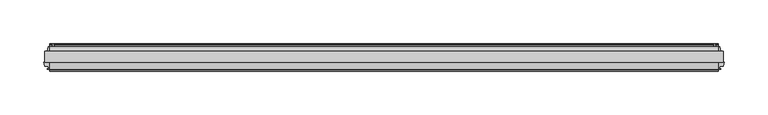
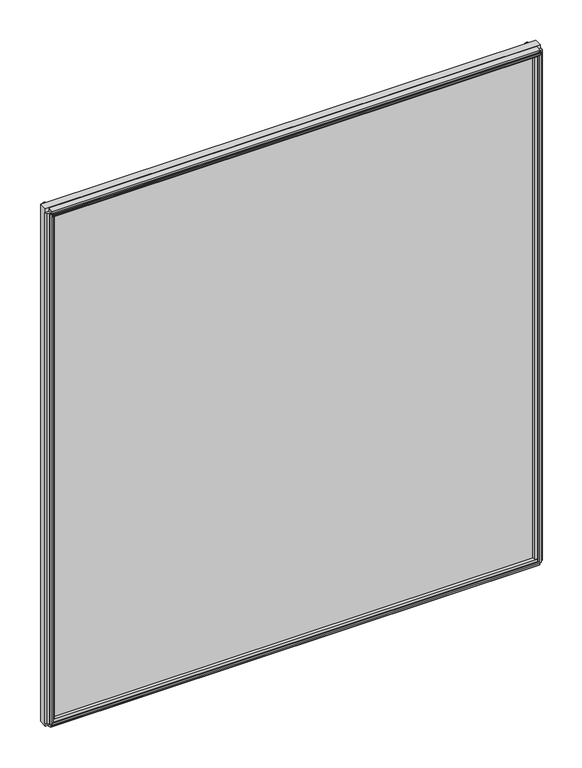
"""IFC4 building model written with IfcOpenShell, lengths in millimetres: plate geometry."""

from ifc_helpers import new_model, si_unit, point, frame, frame_2d, origin, origin_with_axes, place, context, project, spatial, polyline, circle_curve, trimmed, segment, composite_curve, outline, extrude, source, transform, mapped, element, save


def plate_968a113b(model_context):
    return source(origin(), model_context, "Body", "SweptSolid", [
        extrude(outline(polyline([(388.7930103, -0.0460375), (388.7930103, -12.8984375), (-388.7930103, -12.8984375), (-388.7930103, -0.0460375), (388.7930103, -0.0460375)])), origin_with_axes(), (0.0, 0.0, 1.0), 858.263776),
        extrude(outline(composite_curve([segment(polyline([(7.9801525, 11.112559), (5.5925525, 11.1124979)]), True, "CONTINUOUS"), segment(trimmed(circle_curve(frame_2d((5.5925727, 10.3250979)), 0.7874), [point((5.5925525, 11.1124979))], [point((4.8051727, 10.3250778))], True, "CARTESIAN"), True, "CONTINUOUS"), segment(polyline([(4.8051727, 10.3250778), (4.8051928, 9.5376778), (6.3799928, 9.5377181), (4.8053625, 3.7841758), (4.8053625, 2.9042818)]), True, "CONTINUOUS"), segment(trimmed(circle_curve(frame_2d((2.3796615, 2.9426237)), 2.426004), [point((4.8053625, 2.9042818))], [point((-0.0460375, 2.9041577))], False, "CARTESIAN"), True, "CONTINUOUS"), segment(polyline([(-0.0460375, 2.9041577), (-0.0460375, 16.9229653)]), True, "CONTINUOUS"), segment(trimmed(circle_curve(frame_2d((11.636134, 24.6114215)), 13.9851882), [point((-0.0460375, 16.9229653))], [point((7.9801525, 11.112559))], True, "CARTESIAN"), True, "CONTINUOUS")], self_intersect=False)), frame((-383.2367603, 0.0, 0.0), z_axis=(1.0, 0.0, 0.0), x_axis=(0.0, 1.0, 0.0)), (0.0, 0.0, 1.0), 766.4735205),
        extrude(outline(polyline([(-20.3942598, 3.946253), (-20.1464993, 2.4003), (-20.9588426, 2.4003), (-21.3566375, 4.7371), (-20.9416217, 7.0739), (-20.1283543, 7.0739), (-20.3886275, 5.5210429), (-17.6691189, 5.9939196), (-17.6691189, 10.3197912), (-12.8984375, 11.5326763), (-12.8984375, -2.0076763), (-17.6782032, -0.7924816), (-17.6782032, 3.4539358), (-20.3942598, 3.946253)])), frame((-383.2367603, 0.0, 0.0), z_axis=(1.0, 0.0, 0.0), x_axis=(0.0, 1.0, 0.0)), (0.0, 0.0, 1.0), 766.4735205),
        extrude(outline(polyline([(-12.8984375, 858.2978933), (-12.8984375, 844.4808434), (-17.6736375, 845.4797585), (-18.7846441, 849.6260917), (-21.5347434, 849.3888291), (-20.888384, 847.9579636), (-21.6734885, 847.7475955), (-22.6708491, 849.8995869), (-22.8831052, 852.2619464), (-22.0980007, 852.4723146), (-21.9423316, 850.9099691), (-19.4420445, 852.0795433), (-20.5530511, 856.2258765), (-12.8984375, 858.2978933)])), frame((-383.2367603, 0.0, 0.0), z_axis=(1.0, 0.0, 0.0), x_axis=(0.0, 1.0, 0.0)), (0.0, 0.0, 1.0), 766.4735205),
        extrude(outline(polyline([(4.8053625, 853.0451807), (4.8053625, 848.7525807), (7.5231625, 848.2699807), (7.2691625, 849.8193807), (8.0819625, 849.8193807), (8.4883625, 847.4825807), (8.0819625, 845.1457807), (7.2691625, 845.1457807), (7.5231625, 846.6951807), (4.8053625, 846.2125807), (4.8053625, 841.9199807), (-0.0460375, 840.686574), (-0.0460375, 854.2785875), (4.8053625, 853.0451807)])), frame((-383.2367603, 0.0, 0.0), z_axis=(1.0, 0.0, 0.0), x_axis=(0.0, 1.0, 0.0)), (0.0, 0.0, 1.0), 766.4735205),
        extrude(outline(polyline([(382.4395632, -20.2926598), (381.9472461, -17.5766032), (377.668971, -17.5766032), (376.4796069, -12.8984375), (389.9812136, -12.8984375), (388.7941591, -17.5675189), (384.4872298, -17.5675189), (384.0143532, -20.2870275), (385.5672103, -20.0267543), (385.5672103, -20.8400217), (383.2304103, -21.2550375), (380.8936103, -20.8572426), (380.8936103, -20.0448993), (382.4395632, -20.2926598)])), frame((0.0, 0.0, 5.55625), z_axis=(0.0, 0.0, 1.0), x_axis=(1.0, 0.0, 0.0)), (0.0, 0.0, 1.0), 847.151276),
        extrude(outline(polyline([(379.7979532, 7.6219525), (380.2734994, 4.8870913), (384.5816623, 4.8870913), (385.8358475, -0.0460375), (372.192173, -0.0460375), (373.4525591, 4.9114812), (377.7308375, 4.9114812), (378.2231632, 7.6275848), (376.6757717, 7.3791279), (376.6757717, 8.1919227), (379.0140103, 8.5899625), (381.3493418, 8.1752075), (381.3464348, 7.3624127), (379.7979532, 7.6219525)])), frame((0.0, 0.0, 5.55625), z_axis=(0.0, 0.0, 1.0), x_axis=(1.0, 0.0, 0.0)), (0.0, 0.0, 1.0), 847.151276),
        extrude(outline(polyline([(-384.0143532, -20.2870275), (-384.4898994, -17.5521663), (-388.7980623, -17.5521663), (-389.9785902, -12.9087562), (-376.4822303, -12.9087562), (-377.6689591, -17.5765562), (-381.9472375, -17.5765562), (-382.4395632, -20.2926598), (-380.8921717, -20.0442029), (-380.8921717, -20.8569977), (-383.2304103, -21.2550375), (-385.5657418, -20.8402825), (-385.5628348, -20.0274877), (-384.0143532, -20.2870275)])), frame((0.0, 0.0, 5.55625), z_axis=(0.0, 0.0, 1.0), x_axis=(1.0, 0.0, 0.0)), (0.0, 0.0, 1.0), 847.151276),
        extrude(outline(polyline([(-378.2300673, 7.6219525), (-377.7545211, 4.8870913), (-373.4463583, 4.8870913), (-372.192173, -0.0460375), (-385.8358475, -0.0460375), (-384.5754614, 4.9114812), (-380.297183, 4.9114812), (-379.8048573, 7.6275848), (-381.3522488, 7.3791279), (-381.3522488, 8.1919227), (-379.0140103, 8.5899625), (-376.6786787, 8.1752075), (-376.6815857, 7.3624127), (-378.2300673, 7.6219525)])), frame((0.0, 0.0, 5.55625), z_axis=(0.0, 0.0, 1.0), x_axis=(1.0, 0.0, 0.0)), (0.0, 0.0, 1.0), 847.151276),
    ])


if __name__ == "__main__":
    model = new_model("IFC4")
    model_context = context("Model", 3, world=origin())
    ifc_project = project(units=[si_unit("LENGTHUNIT", "METRE", prefix="MILLI")], contexts=[model_context])
    site = spatial("IfcSite", under=ifc_project)
    building = spatial("IfcBuilding", under=site)
    placement = place(None, origin())
    plate_shape = plate_968a113b(model_context)
    element("IfcPlate", 1, at=placement, inside=building, context=model_context, shape_type="MappedRepresentation", body=[
        mapped(plate_shape, transform((0.0, 0.0, 0.0), x_axis=(1.0, 0.0, 0.0), y_axis=(0.0, 1.0, 0.0), z_axis=(0.0, 0.0, 1.0))),
    ])
    save(model, "model.ifc")
